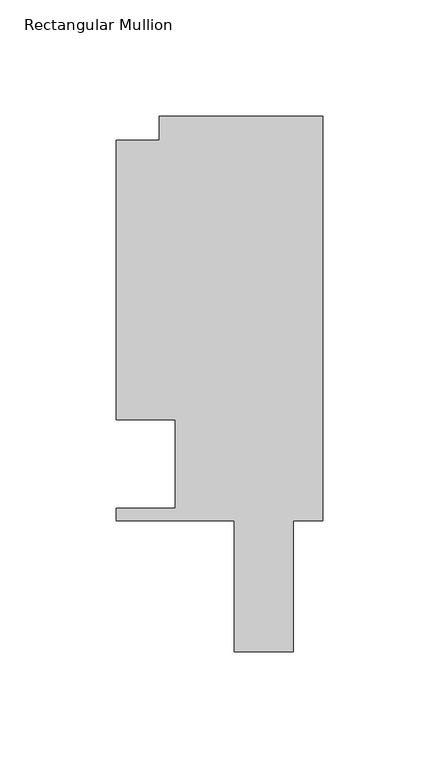
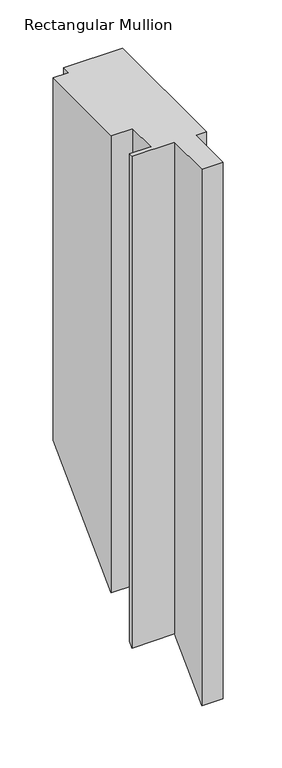
"""IFC4 building model written with IfcOpenShell, lengths in millimetres: member geometry, Rectangular Mullion."""

from ifc_helpers import new_model, si_unit, origin, place, context, project, spatial, faceted_brep, source, transform, mapped, element, save


def rectangular_mullion_9df1dd6e(model_context):
    return source(origin(), model_context, "Body", "Brep", [
        faceted_brep([(0.0, 162.3059961, 0.0), (-70.395709, 162.3059961, 0.0), (-70.395709, 151.892, 0.0), (-88.9131928, 151.892, 0.0), (-88.9131928, 31.75, 0.0), (-63.5131928, 31.75, 0.0), (-63.5131928, -6.35, 0.0), (-88.9131928, -6.35, 0.0), (-88.9131928, -11.684, 0.0), (-38.1131928, -11.684, 0.0), (-38.1131928, -68.072, 0.0), (-12.704103, -68.072, 0.0), (-12.704103, -11.684, 0.0), (0.0, -11.684, 0.0), (0.0, 162.3059961, -447.2622539), (-70.395709, 162.3059961, -447.2622539), (-70.395709, 151.892, -457.67625), (-88.9131928, 151.892, -457.67625), (-88.9131928, 31.75, -577.81825), (-63.5131928, 31.75, -577.81825), (-63.5131928, -6.35, -615.91825), (-88.9131928, -6.35, -615.91825), (-88.9131928, -11.684, -621.25225), (-38.1131928, -11.684, -621.25225), (-38.1131928, -68.072, -677.64025), (-12.704103, -68.072, -677.64025), (-12.704103, -11.684, -621.25225), (0.0, -11.684, -621.25225)], [[[0, 1, 2, 3, 4, 5, 6, 7, 8, 9, 10, 11, 12, 13]], [[1, 0, 14, 15]], [[2, 1, 15, 16]], [[3, 2, 16, 17]], [[4, 3, 17, 18]], [[5, 4, 18, 19]], [[6, 5, 19, 20]], [[7, 6, 20, 21]], [[8, 7, 21, 22]], [[9, 8, 22, 23]], [[10, 9, 23, 24]], [[11, 10, 24, 25]], [[12, 11, 25, 26]], [[13, 12, 26, 27]], [[0, 13, 27, 14]], [[14, 27, 26, 25, 24, 23, 22, 21, 20, 19, 18, 17, 16, 15]]]),
    ])


if __name__ == "__main__":
    model = new_model("IFC4")
    model_context = context("Model", 3, world=origin())
    ifc_project = project(units=[si_unit("LENGTHUNIT", "METRE", prefix="MILLI")], contexts=[model_context])
    site = spatial("IfcSite", under=ifc_project)
    building = spatial("IfcBuilding", under=site)
    placement = place(None, origin())
    rectangular_mullion_shape = rectangular_mullion_9df1dd6e(model_context)
    element("IfcMember", 1, ObjectType="Rectangular Mullion", at=placement, inside=building, context=model_context, shape_type="MappedRepresentation", body=[
        mapped(rectangular_mullion_shape, transform((0.0, 0.0, 0.0), x_axis=(1.0, 0.0, 0.0), y_axis=(0.0, 1.0, 0.0), z_axis=(0.0, 0.0, 1.0))),
    ])
    save(model, "model.ifc")
